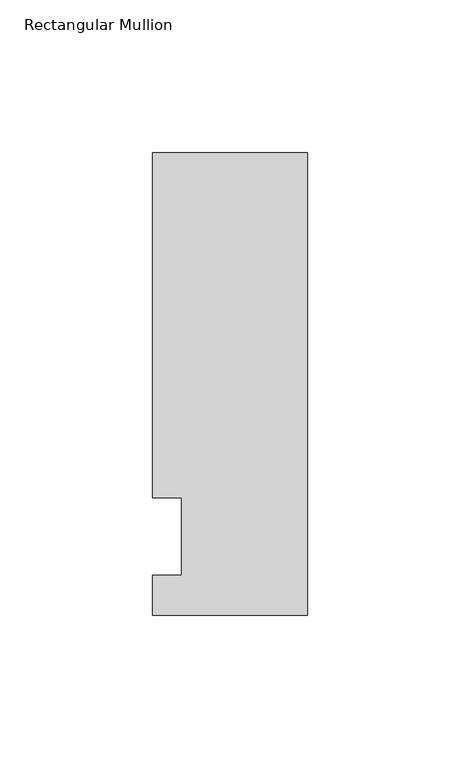
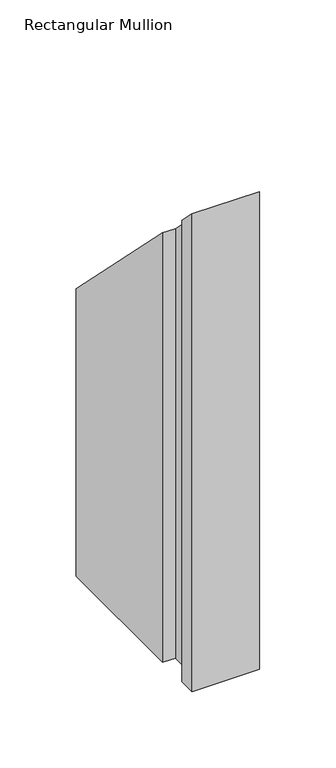
"""IFC4 building model written with IfcOpenShell, lengths in millimetres: member geometry, Rectangular Mullion."""

from ifc_helpers import new_model, si_unit, origin, place, context, project, spatial, faceted_brep, source, transform, mapped, element, save


def rectangular_mullion_7e886beb(model_context):
    return source(origin(), model_context, "Body", "Brep", [
        faceted_brep([(-50.8, -25.7961253, -355.6), (-50.8, -12.7, -355.6), (-41.275, -12.7, -355.6), (-41.275, 12.7, -355.6), (-50.8, 12.7, -355.6), (-50.8, 125.8036906, -355.6), (0.0, 125.8036906, -355.6), (0.0, -25.7961253, -355.6), (0.0, -25.7961253, 25.7961253), (-50.8, -25.7961253, 25.7961253), (0.0, 125.8036906, -125.8036906), (-50.8, 125.8036906, -125.8036906), (-50.8, 12.7, -12.7), (-41.275, 12.7, -12.7), (-41.275, -12.7, 12.7), (-50.8, -12.7, 12.7)], [[[0, 1, 2, 3, 4, 5, 6, 7]], [[8, 9, 0, 7]], [[10, 8, 7, 6]], [[11, 10, 6, 5]], [[12, 11, 5, 4]], [[13, 12, 4, 3]], [[14, 13, 3, 2]], [[15, 14, 2, 1]], [[9, 15, 1, 0]], [[9, 8, 10, 11, 12, 13, 14, 15]]]),
    ])


if __name__ == "__main__":
    model = new_model("IFC4")
    model_context = context("Model", 3, world=origin())
    ifc_project = project(units=[si_unit("LENGTHUNIT", "METRE", prefix="MILLI")], contexts=[model_context])
    site = spatial("IfcSite", under=ifc_project)
    building = spatial("IfcBuilding", under=site)
    placement = place(None, origin())
    rectangular_mullion_shape = rectangular_mullion_7e886beb(model_context)
    element("IfcMember", 1, ObjectType="Rectangular Mullion", at=placement, inside=building, context=model_context, shape_type="MappedRepresentation", body=[
        mapped(rectangular_mullion_shape, transform((0.0, 0.0, 0.0), x_axis=(1.0, 0.0, 0.0), y_axis=(0.0, 1.0, 0.0), z_axis=(0.0, 0.0, 1.0))),
    ])
    save(model, "model.ifc")
